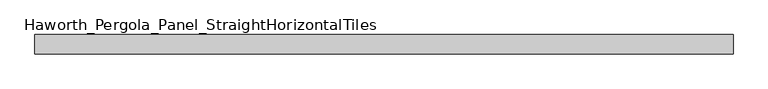
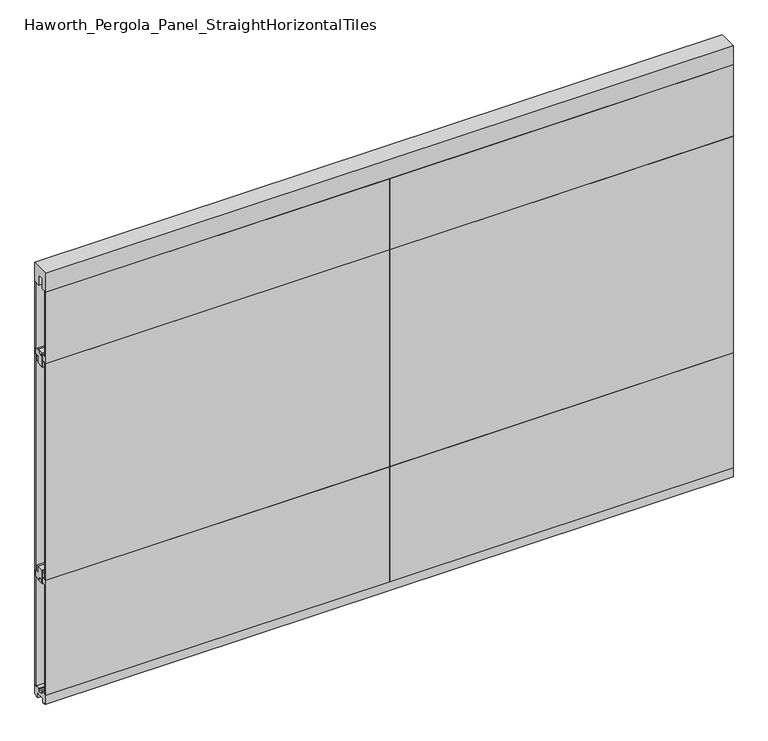
"""IFC4 building model written with IfcOpenShell, lengths in millimetres: furniture geometry, Haworth_Pergola_Panel_StraightHorizontalTiles."""

from ifc_helpers import new_model, si_unit, frame, origin, place, context, project, spatial, polyline, outline, extrude, source, transform, mapped, element, save


def haworth_pergola_panel_straighthorizontaltiles_876995e0(model_context):
    return source(origin(), model_context, "Body", "SweptSolid", [
        extrude(outline(polyline([(12.7, 679.45), (12.7, 692.15), (-12.7, 692.15), (-12.7, 679.45), (-44.45, 679.45), (-44.45, 711.2), (-19.05, 711.2), (-19.05, 749.3), (19.05, 749.3), (19.05, 711.2), (44.45, 711.2), (44.45, 679.45), (12.7, 679.45)])), frame((38.1, 0.0, 0.0), z_axis=(1.0, 0.0, 0.0), x_axis=(0.0, 1.0, 0.0)), (0.0, 0.0, 1.0), 1828.8),
        extrude(outline(polyline([(12.7, 1962.15), (44.45, 1962.15), (44.45, 1930.4), (19.05, 1930.4), (19.05, 1892.3), (-19.05, 1892.3), (-19.05, 1930.4), (-44.45, 1930.4), (-44.45, 1962.15), (-12.7, 1962.15), (-12.7, 1949.45), (12.7, 1949.45), (12.7, 1962.15)])), frame((38.1, 0.0, 0.0), z_axis=(1.0, 0.0, 0.0), x_axis=(0.0, 1.0, 0.0)), (0.0, 0.0, 1.0), 1828.8),
        extrude(outline(polyline([(38.1, 50.8), (1866.9, 50.8), (1866.9, 38.1), (38.1, 38.1), (38.1, 50.8)])), frame((0.0, 0.0, 711.2), z_axis=(0.0, 0.0, 1.0), x_axis=(1.0, 0.0, 0.0)), (0.0, 0.0, 1.0), 1219.2),
        extrude(outline(polyline([(38.1, -38.1), (1866.9, -38.1), (1866.9, -50.8), (38.1, -50.8), (38.1, -38.1)])), frame((0.0, 0.0, 711.2), z_axis=(0.0, 0.0, 1.0), x_axis=(1.0, 0.0, 0.0)), (0.0, 0.0, 1.0), 1219.2),
        extrude(outline(polyline([(12.7, 1898.65), (12.7, 1911.35), (-12.7, 1911.35), (-12.7, 1898.65), (-44.45, 1898.65), (-44.45, 1930.4), (-19.05, 1930.4), (-19.05, 1968.5), (19.05, 1968.5), (19.05, 1930.4), (44.45, 1930.4), (44.45, 1898.65), (12.7, 1898.65)])), frame((38.1, 0.0, 0.0), z_axis=(1.0, 0.0, 0.0), x_axis=(0.0, 1.0, 0.0)), (0.0, 0.0, 1.0), 1828.8),
        extrude(outline(polyline([(38.1, 50.8), (1866.9, 50.8), (1866.9, 38.1), (38.1, 38.1), (38.1, 50.8)])), frame((0.0, 0.0, 1930.4), z_axis=(0.0, 0.0, 1.0), x_axis=(1.0, 0.0, 0.0)), (0.0, 0.0, 1.0), 401.4390625),
        extrude(outline(polyline([(38.1, -38.1), (1866.9, -38.1), (1866.9, -50.8), (38.1, -50.8), (38.1, -38.1)])), frame((0.0, 0.0, 1930.4), z_axis=(0.0, 0.0, 1.0), x_axis=(1.0, 0.0, 0.0)), (0.0, 0.0, 1.0), 401.4390625),
        extrude(outline(polyline([(12.7, 742.95), (44.45, 742.95), (44.45, 711.2), (19.05, 711.2), (19.05, 673.1), (-19.05, 673.1), (-19.05, 711.2), (-44.45, 711.2), (-44.45, 742.95), (-12.7, 742.95), (-12.7, 730.25), (12.7, 730.25), (12.7, 742.95)])), frame((38.1, 0.0, 0.0), z_axis=(1.0, 0.0, 0.0), x_axis=(0.0, 1.0, 0.0)), (0.0, 0.0, 1.0), 1828.8),
        extrude(outline(polyline([(38.1, 50.8), (1866.9, 50.8), (1866.9, 38.1), (38.1, 38.1), (38.1, 50.8)])), frame((0.0, 0.0, 63.5), z_axis=(0.0, 0.0, 1.0), x_axis=(1.0, 0.0, 0.0)), (0.0, 0.0, 1.0), 647.7),
        extrude(outline(polyline([(38.1, -38.1), (1866.9, -38.1), (1866.9, -50.8), (38.1, -50.8), (38.1, -38.1)])), frame((0.0, 0.0, 63.5), z_axis=(0.0, 0.0, 1.0), x_axis=(1.0, 0.0, 0.0)), (0.0, 0.0, 1.0), 647.7),
        extrude(outline(polyline([(12.7, 679.45), (12.7, 692.15), (-12.7, 692.15), (-12.7, 679.45), (-44.45, 679.45), (-44.45, 711.2), (-19.05, 711.2), (-19.05, 749.3), (19.05, 749.3), (19.05, 711.2), (44.45, 711.2), (44.45, 679.45), (12.7, 679.45)])), frame((-1790.7, 0.0, 0.0), z_axis=(1.0, 0.0, 0.0), x_axis=(0.0, 1.0, 0.0)), (0.0, 0.0, 1.0), 1828.8),
        extrude(outline(polyline([(12.7, 1962.15), (44.45, 1962.15), (44.45, 1930.4), (19.05, 1930.4), (19.05, 1892.3), (-19.05, 1892.3), (-19.05, 1930.4), (-44.45, 1930.4), (-44.45, 1962.15), (-12.7, 1962.15), (-12.7, 1949.45), (12.7, 1949.45), (12.7, 1962.15)])), frame((-1790.7, 0.0, 0.0), z_axis=(1.0, 0.0, 0.0), x_axis=(0.0, 1.0, 0.0)), (0.0, 0.0, 1.0), 1828.8),
        extrude(outline(polyline([(-1790.7, 50.8), (38.1, 50.8), (38.1, 38.1), (-1790.7, 38.1), (-1790.7, 50.8)])), frame((0.0, 0.0, 711.2), z_axis=(0.0, 0.0, 1.0), x_axis=(1.0, 0.0, 0.0)), (0.0, 0.0, 1.0), 1219.2),
        extrude(outline(polyline([(-1790.7, -38.1), (38.1, -38.1), (38.1, -50.8), (-1790.7, -50.8), (-1790.7, -38.1)])), frame((0.0, 0.0, 711.2), z_axis=(0.0, 0.0, 1.0), x_axis=(1.0, 0.0, 0.0)), (0.0, 0.0, 1.0), 1219.2),
        extrude(outline(polyline([(12.7, 1898.65), (12.7, 1911.35), (-12.7, 1911.35), (-12.7, 1898.65), (-44.45, 1898.65), (-44.45, 1930.4), (-19.05, 1930.4), (-19.05, 1968.5), (19.05, 1968.5), (19.05, 1930.4), (44.45, 1930.4), (44.45, 1898.65), (12.7, 1898.65)])), frame((-1790.7, 0.0, 0.0), z_axis=(1.0, 0.0, 0.0), x_axis=(0.0, 1.0, 0.0)), (0.0, 0.0, 1.0), 1828.8),
        extrude(outline(polyline([(-1790.7, 50.8), (38.1, 50.8), (38.1, 38.1), (-1790.7, 38.1), (-1790.7, 50.8)])), frame((0.0, 0.0, 1930.4), z_axis=(0.0, 0.0, 1.0), x_axis=(1.0, 0.0, 0.0)), (0.0, 0.0, 1.0), 401.4390625),
        extrude(outline(polyline([(-1790.7, -38.1), (38.1, -38.1), (38.1, -50.8), (-1790.7, -50.8), (-1790.7, -38.1)])), frame((0.0, 0.0, 1930.4), z_axis=(0.0, 0.0, 1.0), x_axis=(1.0, 0.0, 0.0)), (0.0, 0.0, 1.0), 401.4390625),
        extrude(outline(polyline([(12.7, 742.95), (44.45, 742.95), (44.45, 711.2), (19.05, 711.2), (19.05, 673.1), (-19.05, 673.1), (-19.05, 711.2), (-44.45, 711.2), (-44.45, 742.95), (-12.7, 742.95), (-12.7, 730.25), (12.7, 730.25), (12.7, 742.95)])), frame((-1790.7, 0.0, 0.0), z_axis=(1.0, 0.0, 0.0), x_axis=(0.0, 1.0, 0.0)), (0.0, 0.0, 1.0), 1828.8),
        extrude(outline(polyline([(-1790.7, 50.8), (38.1, 50.8), (38.1, 38.1), (-1790.7, 38.1), (-1790.7, 50.8)])), frame((0.0, 0.0, 63.5), z_axis=(0.0, 0.0, 1.0), x_axis=(1.0, 0.0, 0.0)), (0.0, 0.0, 1.0), 647.7),
        extrude(outline(polyline([(-1790.7, -38.1), (38.1, -38.1), (38.1, -50.8), (-1790.7, -50.8), (-1790.7, -38.1)])), frame((0.0, 0.0, 63.5), z_axis=(0.0, 0.0, 1.0), x_axis=(1.0, 0.0, 0.0)), (0.0, 0.0, 1.0), 647.7),
        extrude(outline(polyline([(-50.8, 2438.4), (50.8, 2438.4), (50.8, 2331.8390625), (15.2182948, 2331.8390625), (15.2182948, 2388.7001663), (-15.2182948, 2388.7001663), (-15.2182948, 2331.8390625), (-50.8, 2331.8390625), (-50.8, 2438.4)])), frame((-1790.7, 0.0, 0.0), z_axis=(1.0, 0.0, 0.0), x_axis=(0.0, 1.0, 0.0)), (0.0, 0.0, 1.0), 3657.6),
        extrude(outline(polyline([(-16.2000002, 63.5), (-16.5085717, 61.7499999), (-13.3999996, 61.7499999), (-13.3999996, 58.8973461), (-15.4000002, 59.2499999), (-15.4000002, 48.3500004), (15.4000003, 48.3500004), (15.4000003, 59.2499999), (13.3999997, 58.8973461), (13.3999997, 61.7499999), (16.5085718, 61.7499999), (16.2000003, 63.5), (50.0000004, 63.5), (50.0000004, 12.6999985), (40.9499987, 12.6999985), (38.9499981, 10.6999979), (28.9499999, 10.6999979), (28.9499999, 7.6999994), (38.9499981, 7.6999994), (38.9499981, 5.6999988), (23.7499993, 5.6999988), (23.7499993, 31.4500009), (-23.7499992, 31.4500009), (-23.7499992, 5.6999988), (-38.949998, 5.6999988), (-38.949998, 7.6999994), (-28.9499998, 7.6999994), (-28.9499998, 10.6999979), (-38.949998, 10.6999979), (-40.9499986, 12.6999985), (-50.0000003, 12.6999985), (-50.0000003, 63.5), (-16.2000002, 63.5)])), frame((-1790.7, 0.0, 0.0), z_axis=(1.0, 0.0, 0.0), x_axis=(0.0, 1.0, 0.0)), (0.0, 0.0, 1.0), 3657.6),
    ])


if __name__ == "__main__":
    model = new_model("IFC4")
    model_context = context("Model", 3, world=origin())
    ifc_project = project(units=[si_unit("LENGTHUNIT", "METRE", prefix="MILLI")], contexts=[model_context])
    site = spatial("IfcSite", under=ifc_project)
    building = spatial("IfcBuilding", under=site)
    placement = place(None, origin())
    haworth_pergola_panel_straighthorizontaltiles_shape = haworth_pergola_panel_straighthorizontaltiles_876995e0(model_context)
    element("IfcFurniture", 1, ObjectType="Haworth_Pergola_Panel_StraightHorizontalTiles", at=placement, inside=building, context=model_context, shape_type="MappedRepresentation", body=[
        mapped(haworth_pergola_panel_straighthorizontaltiles_shape, transform((0.0, 0.0, 0.0), x_axis=(1.0, 0.0, 0.0), y_axis=(0.0, 1.0, 0.0), z_axis=(0.0, 0.0, 1.0))),
    ])
    save(model, "model.ifc")
